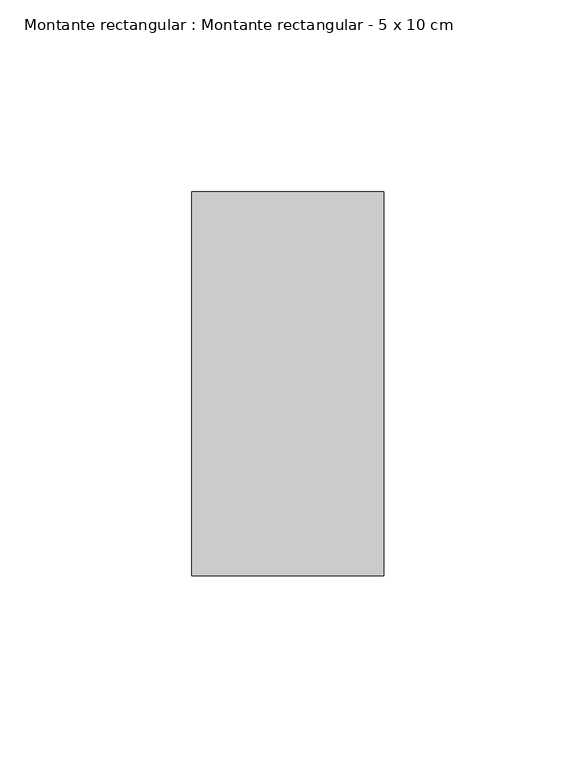
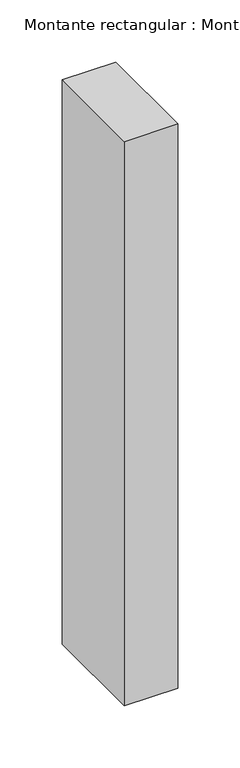
"""IFC4 building model written with IfcOpenShell, lengths in millimetres: member geometry, Montante rectangular : Montante rectangular - 5 x 10 cm."""

from ifc_helpers import new_model, si_unit, frame, origin, place, context, project, spatial, polyline, outline, extrude, source, transform, mapped, element, save


def montante_rectangular_montante_rectangular_5_x_10_cm_933ca065(model_context):
    return source(origin(), model_context, "Body", "SweptSolid", [
        extrude(outline(polyline([(0.0, 50.0), (0.0, -50.0), (-50.0, -50.0), (-50.0, 50.0), (0.0, 50.0)])), frame((0.0, 0.0, -555.0197469), z_axis=(0.0, 0.0, 1.0), x_axis=(1.0, 0.0, 0.0)), (0.0, 0.0, 1.0), 555.0197469),
    ])


if __name__ == "__main__":
    model = new_model("IFC4")
    model_context = context("Model", 3, world=origin())
    ifc_project = project(units=[si_unit("LENGTHUNIT", "METRE", prefix="MILLI")], contexts=[model_context])
    site = spatial("IfcSite", under=ifc_project)
    building = spatial("IfcBuilding", under=site)
    placement = place(None, origin())
    montante_rectangular_montante_rectangular_5_x_10_cm_shape = montante_rectangular_montante_rectangular_5_x_10_cm_933ca065(model_context)
    element("IfcMember", 1, ObjectType="Montante rectangular : Montante rectangular - 5 x 10 cm", at=placement, inside=building, context=model_context, shape_type="MappedRepresentation", body=[
        mapped(montante_rectangular_montante_rectangular_5_x_10_cm_shape, transform((0.0, 0.0, 0.0), x_axis=(1.0, 0.0, 0.0), y_axis=(0.0, 1.0, 0.0), z_axis=(0.0, 0.0, 1.0))),
    ])
    save(model, "model.ifc")
